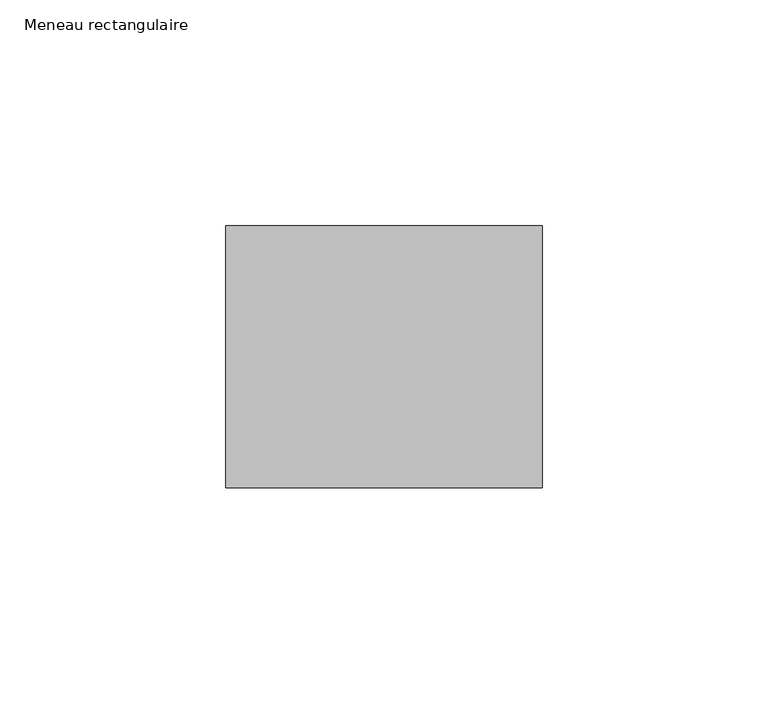
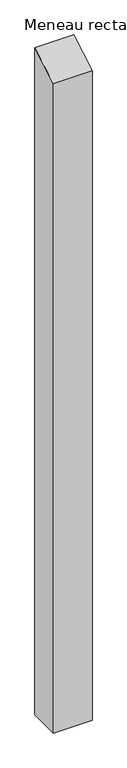
"""IFC4 building model written with IfcOpenShell, lengths in millimetres: member geometry, Meneau rectangulaire."""

from ifc_helpers import new_model, si_unit, frame, origin, place, context, project, spatial, polyline, outline, extrude, source, transform, mapped, element, save


def meneau_rectangulaire_5c9b00c8(model_context):
    return source(origin(), model_context, "Body", "SweptSolid", [
        extrude(outline(polyline([(-29.0, -16.7431578), (29.0, 16.7431578), (29.0, -1260.2500002), (-29.0, -1260.2500002), (-29.0, -16.7431578)])), frame((-70.0, 0.0, 0.0), z_axis=(1.0, 0.0, 0.0), x_axis=(0.0, 1.0, 0.0)), (0.0, 0.0, 1.0), 70.0),
    ])


if __name__ == "__main__":
    model = new_model("IFC4")
    model_context = context("Model", 3, world=origin())
    ifc_project = project(units=[si_unit("LENGTHUNIT", "METRE", prefix="MILLI")], contexts=[model_context])
    site = spatial("IfcSite", under=ifc_project)
    building = spatial("IfcBuilding", under=site)
    placement = place(None, origin())
    meneau_rectangulaire_shape = meneau_rectangulaire_5c9b00c8(model_context)
    element("IfcMember", 1, ObjectType="Meneau rectangulaire", at=placement, inside=building, context=model_context, shape_type="MappedRepresentation", body=[
        mapped(meneau_rectangulaire_shape, transform((0.0, 0.0, 0.0), x_axis=(1.0, 0.0, 0.0), y_axis=(0.0, 1.0, 0.0), z_axis=(0.0, 0.0, 1.0))),
    ])
    save(model, "model.ifc")
